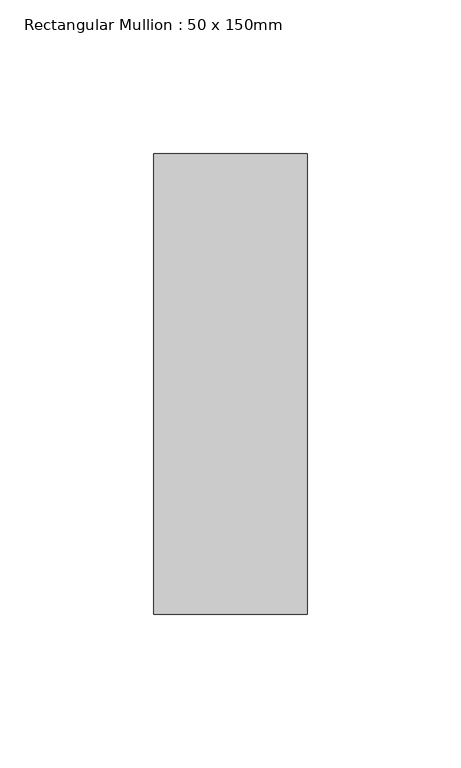
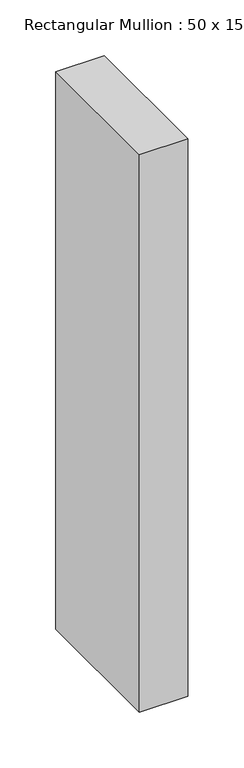
"""IFC4 building model written with IfcOpenShell, lengths in millimetres: member geometry, Rectangular Mullion : 50 x 150mm."""

from ifc_helpers import new_model, si_unit, frame, origin, place, context, project, spatial, polyline, outline, extrude, source, transform, mapped, element, save


def rectangular_mullion_50_x_150mm_96894ca1(model_context):
    return source(origin(), model_context, "Body", "SweptSolid", [
        extrude(outline(polyline([(25.0, 75.0), (25.0, -75.0), (-25.0, -75.0), (-25.0, 75.0), (25.0, 75.0)])), frame((0.0, 0.0, -609.6), z_axis=(0.0, 0.0, 1.0), x_axis=(1.0, 0.0, 0.0)), (0.0, 0.0, 1.0), 609.6),
    ])


if __name__ == "__main__":
    model = new_model("IFC4")
    model_context = context("Model", 3, world=origin())
    ifc_project = project(units=[si_unit("LENGTHUNIT", "METRE", prefix="MILLI")], contexts=[model_context])
    site = spatial("IfcSite", under=ifc_project)
    building = spatial("IfcBuilding", under=site)
    placement = place(None, origin())
    rectangular_mullion_50_x_150mm_shape = rectangular_mullion_50_x_150mm_96894ca1(model_context)
    element("IfcMember", 1, ObjectType="Rectangular Mullion : 50 x 150mm", at=placement, inside=building, context=model_context, shape_type="MappedRepresentation", body=[
        mapped(rectangular_mullion_50_x_150mm_shape, transform((0.0, 0.0, 0.0), x_axis=(1.0, 0.0, 0.0), y_axis=(0.0, 1.0, 0.0), z_axis=(0.0, 0.0, 1.0))),
    ])
    save(model, "model.ifc")
